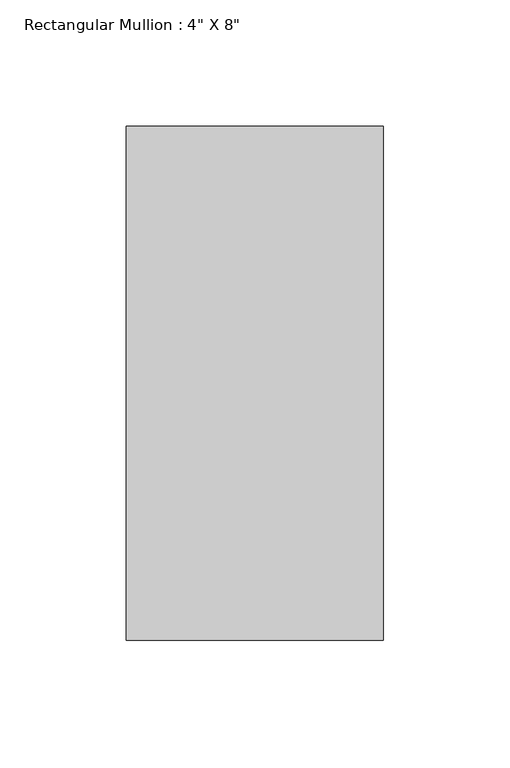
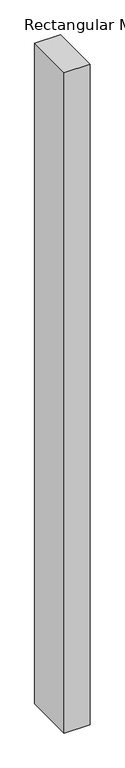
"""IFC4 building model written with IfcOpenShell, lengths in millimetres: member geometry."""

import ifcopenshell
import ifcopenshell.guid

model = None  # the IFC model being written
_history = None  # IfcOwnerHistory: only IFC2X3 demands one
_inside = {}  # id of a spatial element -> (the spatial element, [elements in it])
_under = {}  # id of a project, library or spatial element -> (it, [spatial elements below it])
_declared = {}  # id of a project -> (the project, [libraries it declares])
_typed = {}  # id of a type object -> (the type object, [elements of that type])
_made_of = {}  # id of a material, layer set ... -> (it, [elements and type objects made of it])


def new_model(schema):
    """Start an empty IFC model of exactly this schema.

    Asked for "IFC4X3", IfcOpenShell would pick the latest addendum, in which some entities
    have other attributes; the version numbers below select the first issue.
    IFC2X3 requires an IfcOwnerHistory on every rooted entity: one is made here for all.
    """
    global model, _history
    if schema == "IFC4X3":
        model = ifcopenshell.file(schema_version=(4, 3, 0, 0))
    else:
        model = ifcopenshell.file(schema=schema)
    _inside.clear()
    _under.clear()
    _declared.clear()
    _typed.clear()
    _made_of.clear()
    _history = None
    if model.schema == "IFC2X3":
        org = make("IfcOrganization", Name="unknown")
        user = make(
            "IfcPersonAndOrganization",
            ThePerson=make("IfcPerson", FamilyName="unknown"),
            TheOrganization=org,
        )
        app = make(
            "IfcApplication",
            ApplicationDeveloper=org,
            Version="unknown",
            ApplicationFullName="unknown",
            ApplicationIdentifier="unknown",
        )
        _history = make(
            "IfcOwnerHistory",
            OwningUser=user,
            OwningApplication=app,
            ChangeAction="ADDED",
            CreationDate=0,
        )
    return model


def make(cls, **values):
    """One entity of the class cls with the attributes given. An attribute that is None is left unset."""
    return model.create_entity(
        cls, **{name: value for name, value in values.items() if value is not None}
    )


def rooted(cls, **values):
    """An entity with a GlobalId (a new one), such as an element, a storey or a relation."""
    return make(cls, GlobalId=ifcopenshell.guid.new(), OwnerHistory=_history, **values)


def si_unit(unit_type, name, prefix=None):
    """IfcSIUnit, for example si_unit("LENGTHUNIT", "METRE", prefix="MILLI")."""
    return make("IfcSIUnit", UnitType=unit_type, Prefix=prefix, Name=name)


def assignment(units):
    """IfcUnitAssignment: the units of a project."""
    return None if units is None else make("IfcUnitAssignment", Units=units)


def point(xyz):
    """IfcCartesianPoint."""
    return None if xyz is None else make("IfcCartesianPoint", Coordinates=xyz)


def direction(xyz):
    """IfcDirection."""
    return None if xyz is None else make("IfcDirection", DirectionRatios=xyz)


def frame(location, z_axis=None, x_axis=None):
    """IfcAxis2Placement3D, a coordinate frame: its origin and axes. An axis left out is left unset."""
    return make(
        "IfcAxis2Placement3D",
        Location=point(location),
        Axis=direction(z_axis),
        RefDirection=direction(x_axis),
    )


def origin():
    """The frame at (0, 0, 0) with its axes left unset."""
    return frame((0.0, 0.0, 0.0))


def place(relative_to, where):
    """IfcLocalPlacement: puts the frame where relative to a parent placement (None: the world)."""
    return make(
        "IfcLocalPlacement", PlacementRelTo=relative_to, RelativePlacement=where
    )


def context(
    kind, dimensions, precision=None, world=None, true_north=None, identifier=None
):
    """IfcGeometricRepresentationContext, for example the 3D "Model" context."""
    return make(
        "IfcGeometricRepresentationContext",
        ContextIdentifier=identifier,
        ContextType=kind,
        CoordinateSpaceDimension=dimensions,
        Precision=precision,
        WorldCoordinateSystem=world,
        TrueNorth=true_north,
    )


def project(units=None, contexts=None):
    """IfcProject with its units and contexts."""
    return rooted(
        "IfcProject",
        Name="project",
        RepresentationContexts=contexts,
        UnitsInContext=assignment(units),
    )


def spatial(cls, under=None, at=None, **own):
    """A site, building, storey or space (cls), placed at a placement, below another one or the project."""
    s = rooted(cls, ObjectPlacement=at, **own)
    if under is not None:
        _under.setdefault(under.id(), (under, []))[1].append(s)
    return s


def polyline(points):
    """IfcPolyline through the points."""
    return make("IfcPolyline", Points=[point(p) for p in points])


def outline(outer, holes=None, kind="AREA"):
    """IfcArbitraryClosedProfileDef: a profile drawn as a closed curve; with holes, ...WithVoids."""
    if holes is None:
        return make("IfcArbitraryClosedProfileDef", ProfileType=kind, OuterCurve=outer)
    return make(
        "IfcArbitraryProfileDefWithVoids",
        ProfileType=kind,
        OuterCurve=outer,
        InnerCurves=holes,
    )


def extrude(swept, where, along, depth):
    """IfcExtrudedAreaSolid: the profile swept, set in the frame where, extruded along a direction by depth."""
    return make(
        "IfcExtrudedAreaSolid",
        SweptArea=swept,
        Position=where,
        ExtrudedDirection=direction(along),
        Depth=depth,
    )


def shape(context_of_items, identifier, shape_type, items):
    """IfcShapeRepresentation: the items that make up one representation, for example the "Body"."""
    return make(
        "IfcShapeRepresentation",
        ContextOfItems=context_of_items,
        RepresentationIdentifier=identifier,
        RepresentationType=shape_type,
        Items=items,
    )


def source(mapping_origin, context_of_items, identifier, shape_type, items):
    """IfcRepresentationMap: a shape defined once, which mapped items show again and again."""
    return make(
        "IfcRepresentationMap",
        MappingOrigin=mapping_origin,
        MappedRepresentation=shape(context_of_items, identifier, shape_type, items),
    )


def transform(
    local_origin,
    x_axis=None,
    y_axis=None,
    z_axis=None,
    scale=None,
    scale2=None,
    scale3=None,
    uniform=True,
):
    """IfcCartesianTransformationOperator3D, or its non-uniform kind. x_axis, y_axis, z_axis: its Axis1, 2, 3."""
    if uniform:
        return make(
            "IfcCartesianTransformationOperator3D",
            Axis1=direction(x_axis),
            Axis2=direction(y_axis),
            LocalOrigin=point(local_origin),
            Scale=scale,
            Axis3=direction(z_axis),
        )
    return make(
        "IfcCartesianTransformationOperator3DnonUniform",
        Axis1=direction(x_axis),
        Axis2=direction(y_axis),
        LocalOrigin=point(local_origin),
        Scale=scale,
        Axis3=direction(z_axis),
        Scale2=scale2,
        Scale3=scale3,
    )


def mapped(mapping_source, mapping_target):
    """IfcMappedItem: shows the shape of a source again, moved by a transform."""
    return make(
        "IfcMappedItem", MappingSource=mapping_source, MappingTarget=mapping_target
    )


def made_of(thing, what):
    """Note that an element or type object is made of a material, layer set ...; save() writes the relation."""
    if what is not None:
        _made_of.setdefault(what.id(), (what, []))[1].append(thing)
    return thing


def element(
    cls,
    number,
    at=None,
    inside=None,
    cuts=None,
    type_object=None,
    material=None,
    context=None,
    identifier="Body",
    shape_type=None,
    held_by="IfcProductDefinitionShape",
    body=None,
    shapes=None,
    **own,
):
    """One element of the class cls, such as IfcWall. Its Tag is "e" and its number.

    at: its placement. inside: the storey or other place that contains it. cuts: it is an
    opening in that element (IfcRelVoidsElement). A single representation is given by context,
    identifier, shape_type and body (its items); several are given by shapes. held_by: the class
    of the entity that holds the representations. save() writes the other relations.
    """
    e = rooted(cls, Tag="e%d" % number, ObjectPlacement=at, **own)
    if body is not None:
        shapes = [shape(context, identifier, shape_type, body)]
    if shapes is not None:
        e.Representation = make(held_by, Representations=shapes)
    if inside is not None:
        _inside.setdefault(inside.id(), (inside, []))[1].append(e)
    if cuts is not None:
        rooted(
            "IfcRelVoidsElement", RelatingBuildingElement=cuts, RelatedOpeningElement=e
        )
    if type_object is not None:
        _typed.setdefault(type_object.id(), (type_object, []))[1].append(e)
    return made_of(e, material)


def aggregate(whole, parts):
    """IfcRelAggregates: a whole, such as a stair, and the parts it consists of."""
    return rooted("IfcRelAggregates", RelatingObject=whole, RelatedObjects=parts)


def save(model, path):
    """Write the relations noted so far, then the file.

    IfcRelAggregates (storeys below a building ...), IfcRelContainedInSpatialStructure (elements
    in a storey), IfcRelDefinesByType, IfcRelAssociatesMaterial and IfcRelDeclares: one each for
    every whole, place, type object, material and project.
    """
    for whole, parts in _under.values():
        aggregate(whole, parts)
    for where, things in _inside.values():
        rooted(
            "IfcRelContainedInSpatialStructure",
            RelatedElements=things,
            RelatingStructure=where,
        )
    for kind, things in _typed.values():
        rooted("IfcRelDefinesByType", RelatedObjects=things, RelatingType=kind)
    for what, things in _made_of.values():
        rooted("IfcRelAssociatesMaterial", RelatedObjects=things, RelatingMaterial=what)
    for by, libraries in _declared.values():
        rooted("IfcRelDeclares", RelatingContext=by, RelatedDefinitions=libraries)
    model.write(path)


def member_40d3b19e(model_context):
    return source(origin(), model_context, "Body", "SweptSolid", [
        extrude(outline(polyline([(0.0, 139.7), (0.0, -63.5), (-101.6, -63.5), (-101.6, 139.7), (0.0, 139.7)])), frame((0.0, 0.0, -2768.6), z_axis=(0.0, 0.0, 1.0), x_axis=(1.0, 0.0, 0.0)), (0.0, 0.0, 1.0), 2768.6),
    ])


if __name__ == "__main__":
    model = new_model("IFC4")
    model_context = context("Model", 3, world=origin())
    ifc_project = project(units=[si_unit("LENGTHUNIT", "METRE", prefix="MILLI")], contexts=[model_context])
    site = spatial("IfcSite", under=ifc_project)
    building = spatial("IfcBuilding", under=site)
    placement = place(None, origin())
    member_shape = member_40d3b19e(model_context)
    element("IfcMember", 1, ObjectType="Rectangular Mullion : 4\" X 8\"", at=placement, inside=building, context=model_context, shape_type="MappedRepresentation", body=[
        mapped(member_shape, transform((0.0, 0.0, 0.0), x_axis=(1.0, 0.0, 0.0), y_axis=(0.0, 1.0, 0.0), z_axis=(0.0, 0.0, 1.0))),
    ])
    save(model, "model.ifc")
